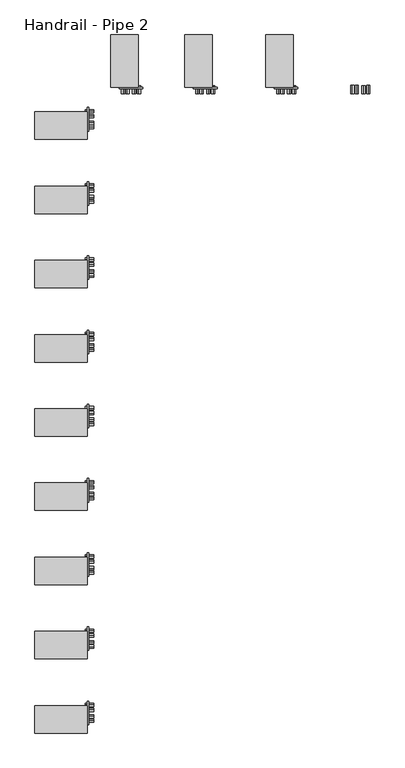
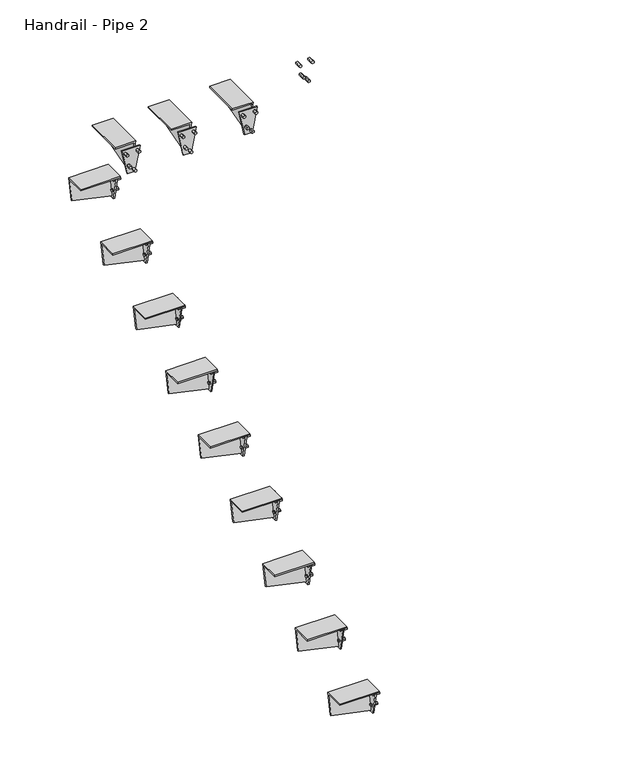
"""IFC4 building model written with IfcOpenShell, lengths in millimetres: railing geometry, Handrail - Pipe 2."""

from ifc_helpers import new_model, si_unit, frame, origin, place, context, project, spatial, polyline, outline, extrude, faceted_brep, source, transform, mapped, element, save


def handrail_pipe_2_a36f1bd2(model_context):
    return source(origin(), model_context, "Body", "SolidModel", [
        extrude(outline(polyline([(1708.0834229, -4692.4384842), (1704.4172487, -4698.7884842), (1697.0849002, -4698.7884842), (1693.418726, -4692.4384842), (1697.0849002, -4686.0884842), (1704.4172487, -4686.0884842), (1708.0834229, -4692.4384842)])), frame((0.0, 1796.8333141, 0.0), z_axis=(0.0, 1.0, 0.0), x_axis=(0.0, 0.0, 1.0)), (0.0, 0.0, 1.0), 31.75),
        extrude(outline(polyline([(1801.4837322, -4673.7584223), (1797.817558, -4680.1084223), (1790.4852096, -4680.1084223), (1786.8190354, -4673.7584223), (1790.4852096, -4667.4084223), (1797.817558, -4667.4084223), (1801.4837322, -4673.7584223)])), frame((0.0, 1796.8333141, 0.0), z_axis=(0.0, 1.0, 0.0), x_axis=(0.0, 0.0, 1.0)), (0.0, 0.0, 1.0), 31.75),
        extrude(outline(polyline([(1735.0709229, -4717.3502116), (1731.4047487, -4723.7002116), (1724.0724002, -4723.7002116), (1720.406226, -4717.3502116), (1724.0724002, -4711.0002116), (1731.4047487, -4711.0002116), (1735.0709229, -4717.3502116)])), frame((0.0, 1796.8333141, 0.0), z_axis=(0.0, 1.0, 0.0), x_axis=(0.0, 0.0, 1.0)), (0.0, 0.0, 1.0), 31.75),
        extrude(outline(polyline([(1801.4837322, -4733.6490235), (1797.817558, -4739.9990235), (1790.4852096, -4739.9990235), (1786.8190354, -4733.6490235), (1790.4852096, -4727.2990235), (1797.817558, -4727.2990235), (1801.4837322, -4733.6490235)])), frame((0.0, 1796.8333141, 0.0), z_axis=(0.0, 1.0, 0.0), x_axis=(0.0, 0.0, 1.0)), (0.0, 0.0, 1.0), 31.75),
        extrude(outline(polyline([(1642.5333333, -5027.5537229), (1515.5333333, -5002.1537229), (1515.5333333, -4964.0537229), (1642.5333333, -4938.6537229), (1642.5333333, -5027.5537229)])), frame((0.0, 1815.8833141, 0.0), z_axis=(0.0, 1.0, 0.0), x_axis=(0.0, 0.0, 1.0)), (0.0, 0.0, 1.0), 6.35),
        faceted_brep([(-4955.7987229, 2019.0833141, 1667.9333333), (-4977.0681099, 2019.0833141, 1561.5863986), (-4983.4181099, 2019.0833141, 1561.5863986), (-4963.3940604, 2019.0833141, 1661.706646), (-5059.3037229, 2019.0833141, 1661.706646), (-5059.3037229, 2019.0833141, 1667.9333333), (-4955.7987229, 1822.2333141, 1667.9333333), (-5059.3037229, 1822.2333141, 1667.9333333), (-5059.3037229, 1822.2333141, 1661.706646), (-4963.3940604, 1822.2333141, 1661.706646), (-4990.8901346, 1822.2333141, 1524.2262748), (-4984.5401346, 1822.2333141, 1524.2262748)], [[[0, 1, 2, 3, 4, 5]], [[6, 7, 8, 9, 10, 11]], [[6, 0, 5, 7]], [[7, 5, 4, 8]], [[8, 4, 3, 9]], [[9, 3, 2, 10]], [[10, 2, 1, 11]], [[11, 1, 0, 6]]]),
        extrude(outline(polyline([(1538.7500895, -4971.8384842), (1535.0839153, -4978.1884842), (1527.7515669, -4978.1884842), (1524.0853927, -4971.8384842), (1527.7515669, -4965.4884842), (1535.0839153, -4965.4884842), (1538.7500895, -4971.8384842)])), frame((0.0, 1796.8333141, 0.0), z_axis=(0.0, 1.0, 0.0), x_axis=(0.0, 0.0, 1.0)), (0.0, 0.0, 1.0), 31.75),
        extrude(outline(polyline([(1632.1503989, -4953.1584223), (1628.4842247, -4959.5084223), (1621.1518763, -4959.5084223), (1617.4857021, -4953.1584223), (1621.1518763, -4946.8084223), (1628.4842247, -4946.8084223), (1632.1503989, -4953.1584223)])), frame((0.0, 1796.8333141, 0.0), z_axis=(0.0, 1.0, 0.0), x_axis=(0.0, 0.0, 1.0)), (0.0, 0.0, 1.0), 31.75),
        extrude(outline(polyline([(1565.7375895, -4996.7502116), (1562.0714153, -5003.1002116), (1554.7390669, -5003.1002116), (1551.0728927, -4996.7502116), (1554.7390669, -4990.4002116), (1562.0714153, -4990.4002116), (1565.7375895, -4996.7502116)])), frame((0.0, 1796.8333141, 0.0), z_axis=(0.0, 1.0, 0.0), x_axis=(0.0, 0.0, 1.0)), (0.0, 0.0, 1.0), 31.75),
        extrude(outline(polyline([(1632.1503989, -5013.0490235), (1628.4842247, -5019.3990235), (1621.1518763, -5019.3990235), (1617.4857021, -5013.0490235), (1621.1518763, -5006.6990235), (1628.4842247, -5006.6990235), (1632.1503989, -5013.0490235)])), frame((0.0, 1796.8333141, 0.0), z_axis=(0.0, 1.0, 0.0), x_axis=(0.0, 0.0, 1.0)), (0.0, 0.0, 1.0), 31.75),
        extrude(outline(polyline([(1642.5333333, -5332.3537229), (1515.5333333, -5306.9537229), (1515.5333333, -5268.8537229), (1642.5333333, -5243.4537229), (1642.5333333, -5332.3537229)])), frame((0.0, 1815.8833141, 0.0), z_axis=(0.0, 1.0, 0.0), x_axis=(0.0, 0.0, 1.0)), (0.0, 0.0, 1.0), 6.35),
        faceted_brep([(-5260.5987229, 2019.0833141, 1667.9333333), (-5281.8681099, 2019.0833141, 1561.5863986), (-5288.2181099, 2019.0833141, 1561.5863986), (-5268.1940604, 2019.0833141, 1661.706646), (-5364.1037229, 2019.0833141, 1661.706646), (-5364.1037229, 2019.0833141, 1667.9333333), (-5260.5987229, 1822.2333141, 1667.9333333), (-5364.1037229, 1822.2333141, 1667.9333333), (-5364.1037229, 1822.2333141, 1661.706646), (-5268.1940604, 1822.2333141, 1661.706646), (-5295.6901346, 1822.2333141, 1524.2262748), (-5289.3401346, 1822.2333141, 1524.2262748)], [[[0, 1, 2, 3, 4, 5]], [[6, 7, 8, 9, 10, 11]], [[6, 0, 5, 7]], [[7, 5, 4, 8]], [[8, 4, 3, 9]], [[9, 3, 2, 10]], [[10, 2, 1, 11]], [[11, 1, 0, 6]]]),
        extrude(outline(polyline([(1538.7500895, -5276.6384842), (1535.0839153, -5282.9884842), (1527.7515669, -5282.9884842), (1524.0853927, -5276.6384842), (1527.7515669, -5270.2884842), (1535.0839153, -5270.2884842), (1538.7500895, -5276.6384842)])), frame((0.0, 1796.8333141, 0.0), z_axis=(0.0, 1.0, 0.0), x_axis=(0.0, 0.0, 1.0)), (0.0, 0.0, 1.0), 31.75),
        extrude(outline(polyline([(1632.1503989, -5257.9584223), (1628.4842247, -5264.3084223), (1621.1518763, -5264.3084223), (1617.4857021, -5257.9584223), (1621.1518763, -5251.6084223), (1628.4842247, -5251.6084223), (1632.1503989, -5257.9584223)])), frame((0.0, 1796.8333141, 0.0), z_axis=(0.0, 1.0, 0.0), x_axis=(0.0, 0.0, 1.0)), (0.0, 0.0, 1.0), 31.75),
        extrude(outline(polyline([(1565.7375895, -5301.5502116), (1562.0714153, -5307.9002116), (1554.7390669, -5307.9002116), (1551.0728927, -5301.5502116), (1554.7390669, -5295.2002116), (1562.0714153, -5295.2002116), (1565.7375895, -5301.5502116)])), frame((0.0, 1796.8333141, 0.0), z_axis=(0.0, 1.0, 0.0), x_axis=(0.0, 0.0, 1.0)), (0.0, 0.0, 1.0), 31.75),
        extrude(outline(polyline([(1632.1503989, -5317.8490235), (1628.4842247, -5324.1990235), (1621.1518763, -5324.1990235), (1617.4857021, -5317.8490235), (1621.1518763, -5311.4990235), (1628.4842247, -5311.4990235), (1632.1503989, -5317.8490235)])), frame((0.0, 1796.8333141, 0.0), z_axis=(0.0, 1.0, 0.0), x_axis=(0.0, 0.0, 1.0)), (0.0, 0.0, 1.0), 31.75),
        extrude(outline(polyline([(1642.5333333, -5611.7537229), (1515.5333333, -5586.3537229), (1515.5333333, -5548.2537229), (1642.5333333, -5522.8537229), (1642.5333333, -5611.7537229)])), frame((0.0, 1815.8833141, 0.0), z_axis=(0.0, 1.0, 0.0), x_axis=(0.0, 0.0, 1.0)), (0.0, 0.0, 1.0), 6.35),
        faceted_brep([(-5539.9987229, 2019.0833141, 1667.9333333), (-5561.2681099, 2019.0833141, 1561.5863986), (-5567.6181099, 2019.0833141, 1561.5863986), (-5547.5940604, 2019.0833141, 1661.706646), (-5643.5037229, 2019.0833141, 1661.706646), (-5643.5037229, 2019.0833141, 1667.9333333), (-5539.9987229, 1822.2333141, 1667.9333333), (-5643.5037229, 1822.2333141, 1667.9333333), (-5643.5037229, 1822.2333141, 1661.706646), (-5547.5940604, 1822.2333141, 1661.706646), (-5575.0901346, 1822.2333141, 1524.2262748), (-5568.7401346, 1822.2333141, 1524.2262748)], [[[0, 1, 2, 3, 4, 5]], [[6, 7, 8, 9, 10, 11]], [[6, 0, 5, 7]], [[7, 5, 4, 8]], [[8, 4, 3, 9]], [[9, 3, 2, 10]], [[10, 2, 1, 11]], [[11, 1, 0, 6]]]),
        extrude(outline(polyline([(1538.7500895, -5556.0384842), (1535.0839153, -5562.3884842), (1527.7515669, -5562.3884842), (1524.0853927, -5556.0384842), (1527.7515669, -5549.6884842), (1535.0839153, -5549.6884842), (1538.7500895, -5556.0384842)])), frame((0.0, 1796.8333141, 0.0), z_axis=(0.0, 1.0, 0.0), x_axis=(0.0, 0.0, 1.0)), (0.0, 0.0, 1.0), 31.75),
        extrude(outline(polyline([(1632.1503989, -5537.3584223), (1628.4842247, -5543.7084223), (1621.1518763, -5543.7084223), (1617.4857021, -5537.3584223), (1621.1518763, -5531.0084223), (1628.4842247, -5531.0084223), (1632.1503989, -5537.3584223)])), frame((0.0, 1796.8333141, 0.0), z_axis=(0.0, 1.0, 0.0), x_axis=(0.0, 0.0, 1.0)), (0.0, 0.0, 1.0), 31.75),
        extrude(outline(polyline([(1565.7375895, -5580.9502116), (1562.0714153, -5587.3002116), (1554.7390669, -5587.3002116), (1551.0728927, -5580.9502116), (1554.7390669, -5574.6002116), (1562.0714153, -5574.6002116), (1565.7375895, -5580.9502116)])), frame((0.0, 1796.8333141, 0.0), z_axis=(0.0, 1.0, 0.0), x_axis=(0.0, 0.0, 1.0)), (0.0, 0.0, 1.0), 31.75),
        extrude(outline(polyline([(1632.1503989, -5597.2490235), (1628.4842247, -5603.5990235), (1621.1518763, -5603.5990235), (1617.4857021, -5597.2490235), (1621.1518763, -5590.8990235), (1628.4842247, -5590.8990235), (1632.1503989, -5597.2490235)])), frame((0.0, 1796.8333141, 0.0), z_axis=(0.0, 1.0, 0.0), x_axis=(0.0, 0.0, 1.0)), (0.0, 0.0, 1.0), 31.75),
        extrude(outline(polyline([(1657.1333141, 1642.5333333), (1746.0333141, 1642.5333333), (1720.6333141, 1515.5333333), (1682.5333141, 1515.5333333), (1657.1333141, 1642.5333333)])), frame((-5732.4037229, 0.0, 0.0), z_axis=(1.0, 0.0, 0.0), x_axis=(0.0, 1.0, 0.0)), (0.0, 0.0, 1.0), 6.35),
        faceted_brep([(-5929.2537229, 1728.8883141, 1667.9333333), (-5929.2537229, 1707.6189271, 1561.5863986), (-5929.2537229, 1701.2689271, 1561.5863986), (-5929.2537229, 1721.2929766, 1661.706646), (-5929.2537229, 1625.3833141, 1661.706646), (-5929.2537229, 1625.3833141, 1667.9333333), (-5732.4037229, 1728.8883141, 1667.9333333), (-5732.4037229, 1625.3833141, 1667.9333333), (-5732.4037229, 1625.3833141, 1661.706646), (-5732.4037229, 1721.2929766, 1661.706646), (-5732.4037229, 1693.7969023, 1524.2262748), (-5732.4037229, 1700.1469023, 1524.2262748)], [[[0, 1, 2, 3, 4, 5]], [[6, 7, 8, 9, 10, 11]], [[6, 0, 5, 7]], [[7, 5, 4, 8]], [[8, 4, 3, 9]], [[9, 3, 2, 10]], [[10, 2, 1, 11]], [[11, 1, 0, 6]]]),
        extrude(outline(polyline([(1712.8485528, 1538.7500895), (1719.1985528, 1535.0839153), (1719.1985528, 1527.7515669), (1712.8485528, 1524.0853927), (1706.4985528, 1527.7515669), (1706.4985528, 1535.0839153), (1712.8485528, 1538.7500895)])), frame((-5738.7537229, 0.0, 0.0), z_axis=(1.0, 0.0, 0.0), x_axis=(0.0, 1.0, 0.0)), (0.0, 0.0, 1.0), 31.75),
        extrude(outline(polyline([(1731.5286147, 1632.1503989), (1737.8786147, 1628.4842247), (1737.8786147, 1621.1518763), (1731.5286147, 1617.4857021), (1725.1786147, 1621.1518763), (1725.1786147, 1628.4842247), (1731.5286147, 1632.1503989)])), frame((-5738.7537229, 0.0, 0.0), z_axis=(1.0, 0.0, 0.0), x_axis=(0.0, 1.0, 0.0)), (0.0, 0.0, 1.0), 31.75),
        extrude(outline(polyline([(1687.9368253, 1565.7375895), (1694.2868253, 1562.0714153), (1694.2868253, 1554.7390669), (1687.9368253, 1551.0728927), (1681.5868253, 1554.7390669), (1681.5868253, 1562.0714153), (1687.9368253, 1565.7375895)])), frame((-5738.7537229, 0.0, 0.0), z_axis=(1.0, 0.0, 0.0), x_axis=(0.0, 1.0, 0.0)), (0.0, 0.0, 1.0), 31.75),
        extrude(outline(polyline([(1671.6380134, 1632.1503989), (1677.9880134, 1628.4842247), (1677.9880134, 1621.1518763), (1671.6380134, 1617.4857021), (1665.2880134, 1621.1518763), (1665.2880134, 1628.4842247), (1671.6380134, 1632.1503989)])), frame((-5738.7537229, 0.0, 0.0), z_axis=(1.0, 0.0, 0.0), x_axis=(0.0, 1.0, 0.0)), (0.0, 0.0, 1.0), 31.75),
        extrude(outline(polyline([(1377.7333141, 1473.2), (1466.6333141, 1473.2), (1441.2333141, 1346.2), (1403.1333141, 1346.2), (1377.7333141, 1473.2)])), frame((-5732.4037229, 0.0, 0.0), z_axis=(1.0, 0.0, 0.0), x_axis=(0.0, 1.0, 0.0)), (0.0, 0.0, 1.0), 6.35),
        faceted_brep([(-5929.2537229, 1449.4883141, 1498.6), (-5929.2537229, 1428.2189271, 1392.2530652), (-5929.2537229, 1421.8689271, 1392.2530652), (-5929.2537229, 1441.8929766, 1492.3733127), (-5929.2537229, 1345.9833141, 1492.3733127), (-5929.2537229, 1345.9833141, 1498.6), (-5732.4037229, 1449.4883141, 1498.6), (-5732.4037229, 1345.9833141, 1498.6), (-5732.4037229, 1345.9833141, 1492.3733127), (-5732.4037229, 1441.8929766, 1492.3733127), (-5732.4037229, 1414.3969023, 1354.8929415), (-5732.4037229, 1420.7469023, 1354.8929415)], [[[0, 1, 2, 3, 4, 5]], [[6, 7, 8, 9, 10, 11]], [[6, 0, 5, 7]], [[7, 5, 4, 8]], [[8, 4, 3, 9]], [[9, 3, 2, 10]], [[10, 2, 1, 11]], [[11, 1, 0, 6]]]),
        extrude(outline(polyline([(1433.4485528, 1369.4167562), (1439.7985528, 1365.750582), (1439.7985528, 1358.4182336), (1433.4485528, 1354.7520594), (1427.0985528, 1358.4182336), (1427.0985528, 1365.750582), (1433.4485528, 1369.4167562)])), frame((-5738.7537229, 0.0, 0.0), z_axis=(1.0, 0.0, 0.0), x_axis=(0.0, 1.0, 0.0)), (0.0, 0.0, 1.0), 31.75),
        extrude(outline(polyline([(1452.1286147, 1462.8170656), (1458.4786147, 1459.1508913), (1458.4786147, 1451.8185429), (1452.1286147, 1448.1523687), (1445.7786147, 1451.8185429), (1445.7786147, 1459.1508913), (1452.1286147, 1462.8170656)])), frame((-5738.7537229, 0.0, 0.0), z_axis=(1.0, 0.0, 0.0), x_axis=(0.0, 1.0, 0.0)), (0.0, 0.0, 1.0), 31.75),
        extrude(outline(polyline([(1408.5368253, 1396.4042562), (1414.8868253, 1392.738082), (1414.8868253, 1385.4057336), (1408.5368253, 1381.7395594), (1402.1868253, 1385.4057336), (1402.1868253, 1392.738082), (1408.5368253, 1396.4042562)])), frame((-5738.7537229, 0.0, 0.0), z_axis=(1.0, 0.0, 0.0), x_axis=(0.0, 1.0, 0.0)), (0.0, 0.0, 1.0), 31.75),
        extrude(outline(polyline([(1392.2380134, 1462.8170656), (1398.5880134, 1459.1508913), (1398.5880134, 1451.8185429), (1392.2380134, 1448.1523687), (1385.8880134, 1451.8185429), (1385.8880134, 1459.1508913), (1392.2380134, 1462.8170656)])), frame((-5738.7537229, 0.0, 0.0), z_axis=(1.0, 0.0, 0.0), x_axis=(0.0, 1.0, 0.0)), (0.0, 0.0, 1.0), 31.75),
        extrude(outline(polyline([(1098.3333141, 1303.8666667), (1187.2333141, 1303.8666667), (1161.8333141, 1176.8666667), (1123.7333141, 1176.8666667), (1098.3333141, 1303.8666667)])), frame((-5732.4037229, 0.0, 0.0), z_axis=(1.0, 0.0, 0.0), x_axis=(0.0, 1.0, 0.0)), (0.0, 0.0, 1.0), 6.35),
        faceted_brep([(-5929.2537229, 1170.0883141, 1329.2666667), (-5929.2537229, 1148.8189271, 1222.9197319), (-5929.2537229, 1142.4689271, 1222.9197319), (-5929.2537229, 1162.4929766, 1323.0399794), (-5929.2537229, 1066.5833141, 1323.0399794), (-5929.2537229, 1066.5833141, 1329.2666667), (-5732.4037229, 1170.0883141, 1329.2666667), (-5732.4037229, 1066.5833141, 1329.2666667), (-5732.4037229, 1066.5833141, 1323.0399794), (-5732.4037229, 1162.4929766, 1323.0399794), (-5732.4037229, 1134.9969023, 1185.5596081), (-5732.4037229, 1141.3469023, 1185.5596081)], [[[0, 1, 2, 3, 4, 5]], [[6, 7, 8, 9, 10, 11]], [[6, 0, 5, 7]], [[7, 5, 4, 8]], [[8, 4, 3, 9]], [[9, 3, 2, 10]], [[10, 2, 1, 11]], [[11, 1, 0, 6]]]),
        extrude(outline(polyline([(1154.0485528, 1200.0834229), (1160.3985528, 1196.4172487), (1160.3985528, 1189.0849002), (1154.0485528, 1185.418726), (1147.6985528, 1189.0849002), (1147.6985528, 1196.4172487), (1154.0485528, 1200.0834229)])), frame((-5738.7537229, 0.0, 0.0), z_axis=(1.0, 0.0, 0.0), x_axis=(0.0, 1.0, 0.0)), (0.0, 0.0, 1.0), 31.75),
        extrude(outline(polyline([(1172.7286147, 1293.4837322), (1179.0786147, 1289.817558), (1179.0786147, 1282.4852096), (1172.7286147, 1278.8190354), (1166.3786147, 1282.4852096), (1166.3786147, 1289.817558), (1172.7286147, 1293.4837322)])), frame((-5738.7537229, 0.0, 0.0), z_axis=(1.0, 0.0, 0.0), x_axis=(0.0, 1.0, 0.0)), (0.0, 0.0, 1.0), 31.75),
        extrude(outline(polyline([(1129.1368253, 1227.0709229), (1135.4868253, 1223.4047487), (1135.4868253, 1216.0724002), (1129.1368253, 1212.406226), (1122.7868253, 1216.0724002), (1122.7868253, 1223.4047487), (1129.1368253, 1227.0709229)])), frame((-5738.7537229, 0.0, 0.0), z_axis=(1.0, 0.0, 0.0), x_axis=(0.0, 1.0, 0.0)), (0.0, 0.0, 1.0), 31.75),
        extrude(outline(polyline([(1112.8380134, 1293.4837322), (1119.1880134, 1289.817558), (1119.1880134, 1282.4852096), (1112.8380134, 1278.8190354), (1106.4880134, 1282.4852096), (1106.4880134, 1289.817558), (1112.8380134, 1293.4837322)])), frame((-5738.7537229, 0.0, 0.0), z_axis=(1.0, 0.0, 0.0), x_axis=(0.0, 1.0, 0.0)), (0.0, 0.0, 1.0), 31.75),
        extrude(outline(polyline([(818.9333141, 1134.5333333), (907.8333141, 1134.5333333), (882.4333141, 1007.5333333), (844.3333141, 1007.5333333), (818.9333141, 1134.5333333)])), frame((-5732.4037229, 0.0, 0.0), z_axis=(1.0, 0.0, 0.0), x_axis=(0.0, 1.0, 0.0)), (0.0, 0.0, 1.0), 6.35),
        faceted_brep([(-5929.2537229, 890.6883141, 1159.9333333), (-5929.2537229, 869.4189271, 1053.5863986), (-5929.2537229, 863.0689271, 1053.5863986), (-5929.2537229, 883.0929766, 1153.706646), (-5929.2537229, 787.1833141, 1153.706646), (-5929.2537229, 787.1833141, 1159.9333333), (-5732.4037229, 890.6883141, 1159.9333333), (-5732.4037229, 787.1833141, 1159.9333333), (-5732.4037229, 787.1833141, 1153.706646), (-5732.4037229, 883.0929766, 1153.706646), (-5732.4037229, 855.5969023, 1016.2262748), (-5732.4037229, 861.9469023, 1016.2262748)], [[[0, 1, 2, 3, 4, 5]], [[6, 7, 8, 9, 10, 11]], [[6, 0, 5, 7]], [[7, 5, 4, 8]], [[8, 4, 3, 9]], [[9, 3, 2, 10]], [[10, 2, 1, 11]], [[11, 1, 0, 6]]]),
        extrude(outline(polyline([(874.6485528, 1030.7500895), (880.9985528, 1027.0839153), (880.9985528, 1019.7515669), (874.6485528, 1016.0853927), (868.2985528, 1019.7515669), (868.2985528, 1027.0839153), (874.6485528, 1030.7500895)])), frame((-5738.7537229, 0.0, 0.0), z_axis=(1.0, 0.0, 0.0), x_axis=(0.0, 1.0, 0.0)), (0.0, 0.0, 1.0), 31.75),
        extrude(outline(polyline([(893.3286147, 1124.1503989), (899.6786147, 1120.4842247), (899.6786147, 1113.1518763), (893.3286147, 1109.4857021), (886.9786147, 1113.1518763), (886.9786147, 1120.4842247), (893.3286147, 1124.1503989)])), frame((-5738.7537229, 0.0, 0.0), z_axis=(1.0, 0.0, 0.0), x_axis=(0.0, 1.0, 0.0)), (0.0, 0.0, 1.0), 31.75),
        extrude(outline(polyline([(849.7368253, 1057.7375895), (856.0868253, 1054.0714153), (856.0868253, 1046.7390669), (849.7368253, 1043.0728927), (843.3868253, 1046.7390669), (843.3868253, 1054.0714153), (849.7368253, 1057.7375895)])), frame((-5738.7537229, 0.0, 0.0), z_axis=(1.0, 0.0, 0.0), x_axis=(0.0, 1.0, 0.0)), (0.0, 0.0, 1.0), 31.75),
        extrude(outline(polyline([(833.4380134, 1124.1503989), (839.7880134, 1120.4842247), (839.7880134, 1113.1518763), (833.4380134, 1109.4857021), (827.0880134, 1113.1518763), (827.0880134, 1120.4842247), (833.4380134, 1124.1503989)])), frame((-5738.7537229, 0.0, 0.0), z_axis=(1.0, 0.0, 0.0), x_axis=(0.0, 1.0, 0.0)), (0.0, 0.0, 1.0), 31.75),
        extrude(outline(polyline([(539.5333141, 965.2), (628.4333141, 965.2), (603.0333141, 838.2), (564.9333141, 838.2), (539.5333141, 965.2)])), frame((-5732.4037229, 0.0, 0.0), z_axis=(1.0, 0.0, 0.0), x_axis=(0.0, 1.0, 0.0)), (0.0, 0.0, 1.0), 6.35),
        faceted_brep([(-5929.2537229, 611.2883141, 990.6), (-5929.2537229, 590.0189271, 884.2530652), (-5929.2537229, 583.6689271, 884.2530652), (-5929.2537229, 603.6929766, 984.3733127), (-5929.2537229, 507.7833141, 984.3733127), (-5929.2537229, 507.7833141, 990.6), (-5732.4037229, 611.2883141, 990.6), (-5732.4037229, 507.7833141, 990.6), (-5732.4037229, 507.7833141, 984.3733127), (-5732.4037229, 603.6929766, 984.3733127), (-5732.4037229, 576.1969023, 846.8929415), (-5732.4037229, 582.5469023, 846.8929415)], [[[0, 1, 2, 3, 4, 5]], [[6, 7, 8, 9, 10, 11]], [[6, 0, 5, 7]], [[7, 5, 4, 8]], [[8, 4, 3, 9]], [[9, 3, 2, 10]], [[10, 2, 1, 11]], [[11, 1, 0, 6]]]),
        extrude(outline(polyline([(595.2485528, 861.4167562), (601.5985528, 857.750582), (601.5985528, 850.4182336), (595.2485528, 846.7520594), (588.8985528, 850.4182336), (588.8985528, 857.750582), (595.2485528, 861.4167562)])), frame((-5738.7537229, 0.0, 0.0), z_axis=(1.0, 0.0, 0.0), x_axis=(0.0, 1.0, 0.0)), (0.0, 0.0, 1.0), 31.75),
        extrude(outline(polyline([(613.9286147, 954.8170656), (620.2786147, 951.1508913), (620.2786147, 943.8185429), (613.9286147, 940.1523687), (607.5786147, 943.8185429), (607.5786147, 951.1508913), (613.9286147, 954.8170656)])), frame((-5738.7537229, 0.0, 0.0), z_axis=(1.0, 0.0, 0.0), x_axis=(0.0, 1.0, 0.0)), (0.0, 0.0, 1.0), 31.75),
        extrude(outline(polyline([(570.3368253, 888.4042562), (576.6868253, 884.738082), (576.6868253, 877.4057336), (570.3368253, 873.7395594), (563.9868253, 877.4057336), (563.9868253, 884.738082), (570.3368253, 888.4042562)])), frame((-5738.7537229, 0.0, 0.0), z_axis=(1.0, 0.0, 0.0), x_axis=(0.0, 1.0, 0.0)), (0.0, 0.0, 1.0), 31.75),
        extrude(outline(polyline([(554.0380134, 954.8170656), (560.3880134, 951.1508913), (560.3880134, 943.8185429), (554.0380134, 940.1523687), (547.6880134, 943.8185429), (547.6880134, 951.1508913), (554.0380134, 954.8170656)])), frame((-5738.7537229, 0.0, 0.0), z_axis=(1.0, 0.0, 0.0), x_axis=(0.0, 1.0, 0.0)), (0.0, 0.0, 1.0), 31.75),
        extrude(outline(polyline([(260.1333141, 795.8666667), (349.0333141, 795.8666667), (323.6333141, 668.8666667), (285.5333141, 668.8666667), (260.1333141, 795.8666667)])), frame((-5732.4037229, 0.0, 0.0), z_axis=(1.0, 0.0, 0.0), x_axis=(0.0, 1.0, 0.0)), (0.0, 0.0, 1.0), 6.35),
        faceted_brep([(-5929.2537229, 331.8883141, 821.2666667), (-5929.2537229, 310.6189271, 714.9197319), (-5929.2537229, 304.2689271, 714.9197319), (-5929.2537229, 324.2929766, 815.0399794), (-5929.2537229, 228.3833141, 815.0399794), (-5929.2537229, 228.3833141, 821.2666667), (-5732.4037229, 331.8883141, 821.2666667), (-5732.4037229, 228.3833141, 821.2666667), (-5732.4037229, 228.3833141, 815.0399794), (-5732.4037229, 324.2929766, 815.0399794), (-5732.4037229, 296.7969023, 677.5596081), (-5732.4037229, 303.1469023, 677.5596081)], [[[0, 1, 2, 3, 4, 5]], [[6, 7, 8, 9, 10, 11]], [[6, 0, 5, 7]], [[7, 5, 4, 8]], [[8, 4, 3, 9]], [[9, 3, 2, 10]], [[10, 2, 1, 11]], [[11, 1, 0, 6]]]),
        extrude(outline(polyline([(315.8485528, 692.0834229), (322.1985528, 688.4172487), (322.1985528, 681.0849002), (315.8485528, 677.418726), (309.4985528, 681.0849002), (309.4985528, 688.4172487), (315.8485528, 692.0834229)])), frame((-5738.7537229, 0.0, 0.0), z_axis=(1.0, 0.0, 0.0), x_axis=(0.0, 1.0, 0.0)), (0.0, 0.0, 1.0), 31.75),
        extrude(outline(polyline([(334.5286147, 785.4837322), (340.8786147, 781.817558), (340.8786147, 774.4852096), (334.5286147, 770.8190354), (328.1786147, 774.4852096), (328.1786147, 781.817558), (334.5286147, 785.4837322)])), frame((-5738.7537229, 0.0, 0.0), z_axis=(1.0, 0.0, 0.0), x_axis=(0.0, 1.0, 0.0)), (0.0, 0.0, 1.0), 31.75),
        extrude(outline(polyline([(290.9368253, 719.0709229), (297.2868253, 715.4047487), (297.2868253, 708.0724002), (290.9368253, 704.406226), (284.5868253, 708.0724002), (284.5868253, 715.4047487), (290.9368253, 719.0709229)])), frame((-5738.7537229, 0.0, 0.0), z_axis=(1.0, 0.0, 0.0), x_axis=(0.0, 1.0, 0.0)), (0.0, 0.0, 1.0), 31.75),
        extrude(outline(polyline([(274.6380134, 785.4837322), (280.9880134, 781.817558), (280.9880134, 774.4852096), (274.6380134, 770.8190354), (268.2880134, 774.4852096), (268.2880134, 781.817558), (274.6380134, 785.4837322)])), frame((-5738.7537229, 0.0, 0.0), z_axis=(1.0, 0.0, 0.0), x_axis=(0.0, 1.0, 0.0)), (0.0, 0.0, 1.0), 31.75),
        extrude(outline(polyline([(-19.2666859, 626.5333333), (69.6333141, 626.5333333), (44.2333141, 499.5333333), (6.1333141, 499.5333333), (-19.2666859, 626.5333333)])), frame((-5732.4037229, 0.0, 0.0), z_axis=(1.0, 0.0, 0.0), x_axis=(0.0, 1.0, 0.0)), (0.0, 0.0, 1.0), 6.35),
        faceted_brep([(-5929.2537229, 52.4883141, 651.9333333), (-5929.2537229, 31.2189271, 545.5863986), (-5929.2537229, 24.8689271, 545.5863986), (-5929.2537229, 44.8929766, 645.706646), (-5929.2537229, -51.0166859, 645.706646), (-5929.2537229, -51.0166859, 651.9333333), (-5732.4037229, 52.4883141, 651.9333333), (-5732.4037229, -51.0166859, 651.9333333), (-5732.4037229, -51.0166859, 645.706646), (-5732.4037229, 44.8929766, 645.706646), (-5732.4037229, 17.3969023, 508.2262748), (-5732.4037229, 23.7469023, 508.2262748)], [[[0, 1, 2, 3, 4, 5]], [[6, 7, 8, 9, 10, 11]], [[6, 0, 5, 7]], [[7, 5, 4, 8]], [[8, 4, 3, 9]], [[9, 3, 2, 10]], [[10, 2, 1, 11]], [[11, 1, 0, 6]]]),
        extrude(outline(polyline([(36.4485528, 522.7500895), (42.7985528, 519.0839153), (42.7985528, 511.7515669), (36.4485528, 508.0853927), (30.0985528, 511.7515669), (30.0985528, 519.0839153), (36.4485528, 522.7500895)])), frame((-5738.7537229, 0.0, 0.0), z_axis=(1.0, 0.0, 0.0), x_axis=(0.0, 1.0, 0.0)), (0.0, 0.0, 1.0), 31.75),
        extrude(outline(polyline([(55.1286147, 616.1503989), (61.4786147, 612.4842247), (61.4786147, 605.1518763), (55.1286147, 601.4857021), (48.7786147, 605.1518763), (48.7786147, 612.4842247), (55.1286147, 616.1503989)])), frame((-5738.7537229, 0.0, 0.0), z_axis=(1.0, 0.0, 0.0), x_axis=(0.0, 1.0, 0.0)), (0.0, 0.0, 1.0), 31.75),
        extrude(outline(polyline([(11.5368253, 549.7375895), (17.8868253, 546.0714153), (17.8868253, 538.7390669), (11.5368253, 535.0728927), (5.1868253, 538.7390669), (5.1868253, 546.0714153), (11.5368253, 549.7375895)])), frame((-5738.7537229, 0.0, 0.0), z_axis=(1.0, 0.0, 0.0), x_axis=(0.0, 1.0, 0.0)), (0.0, 0.0, 1.0), 31.75),
        extrude(outline(polyline([(-4.7619866, 616.1503989), (1.5880134, 612.4842247), (1.5880134, 605.1518763), (-4.7619866, 601.4857021), (-11.1119866, 605.1518763), (-11.1119866, 612.4842247), (-4.7619866, 616.1503989)])), frame((-5738.7537229, 0.0, 0.0), z_axis=(1.0, 0.0, 0.0), x_axis=(0.0, 1.0, 0.0)), (0.0, 0.0, 1.0), 31.75),
        extrude(outline(polyline([(-298.6666859, 457.2), (-209.7666859, 457.2), (-235.1666859, 330.2), (-273.2666859, 330.2), (-298.6666859, 457.2)])), frame((-5732.4037229, 0.0, 0.0), z_axis=(1.0, 0.0, 0.0), x_axis=(0.0, 1.0, 0.0)), (0.0, 0.0, 1.0), 6.35),
        faceted_brep([(-5929.2537229, -226.9116859, 482.6), (-5929.2537229, -248.1810729, 376.2530652), (-5929.2537229, -254.5310729, 376.2530652), (-5929.2537229, -234.5070234, 476.3733127), (-5929.2537229, -330.4166859, 476.3733127), (-5929.2537229, -330.4166859, 482.6), (-5732.4037229, -226.9116859, 482.6), (-5732.4037229, -330.4166859, 482.6), (-5732.4037229, -330.4166859, 476.3733127), (-5732.4037229, -234.5070234, 476.3733127), (-5732.4037229, -262.0030977, 338.8929415), (-5732.4037229, -255.6530977, 338.8929415)], [[[0, 1, 2, 3, 4, 5]], [[6, 7, 8, 9, 10, 11]], [[6, 0, 5, 7]], [[7, 5, 4, 8]], [[8, 4, 3, 9]], [[9, 3, 2, 10]], [[10, 2, 1, 11]], [[11, 1, 0, 6]]]),
        extrude(outline(polyline([(-242.9514472, 353.4167562), (-236.6014472, 349.750582), (-236.6014472, 342.4182336), (-242.9514472, 338.7520594), (-249.3014472, 342.4182336), (-249.3014472, 349.750582), (-242.9514472, 353.4167562)])), frame((-5738.7537229, 0.0, 0.0), z_axis=(1.0, 0.0, 0.0), x_axis=(0.0, 1.0, 0.0)), (0.0, 0.0, 1.0), 31.75),
        extrude(outline(polyline([(-224.2713853, 446.8170656), (-217.9213853, 443.1508913), (-217.9213853, 435.8185429), (-224.2713853, 432.1523687), (-230.6213853, 435.8185429), (-230.6213853, 443.1508913), (-224.2713853, 446.8170656)])), frame((-5738.7537229, 0.0, 0.0), z_axis=(1.0, 0.0, 0.0), x_axis=(0.0, 1.0, 0.0)), (0.0, 0.0, 1.0), 31.75),
        extrude(outline(polyline([(-267.8631747, 380.4042562), (-261.5131747, 376.738082), (-261.5131747, 369.4057336), (-267.8631747, 365.7395594), (-274.2131747, 369.4057336), (-274.2131747, 376.738082), (-267.8631747, 380.4042562)])), frame((-5738.7537229, 0.0, 0.0), z_axis=(1.0, 0.0, 0.0), x_axis=(0.0, 1.0, 0.0)), (0.0, 0.0, 1.0), 31.75),
        extrude(outline(polyline([(-284.1619866, 446.8170656), (-277.8119866, 443.1508913), (-277.8119866, 435.8185429), (-284.1619866, 432.1523687), (-290.5119866, 435.8185429), (-290.5119866, 443.1508913), (-284.1619866, 446.8170656)])), frame((-5738.7537229, 0.0, 0.0), z_axis=(1.0, 0.0, 0.0), x_axis=(0.0, 1.0, 0.0)), (0.0, 0.0, 1.0), 31.75),
        extrude(outline(polyline([(-578.0666859, 287.8666667), (-489.1666859, 287.8666667), (-514.5666859, 160.8666667), (-552.6666859, 160.8666667), (-578.0666859, 287.8666667)])), frame((-5732.4037229, 0.0, 0.0), z_axis=(1.0, 0.0, 0.0), x_axis=(0.0, 1.0, 0.0)), (0.0, 0.0, 1.0), 6.35),
        faceted_brep([(-5929.2537229, -506.3116859, 313.2666667), (-5929.2537229, -527.5810729, 206.9197319), (-5929.2537229, -533.9310729, 206.9197319), (-5929.2537229, -513.9070234, 307.0399794), (-5929.2537229, -609.8166859, 307.0399794), (-5929.2537229, -609.8166859, 313.2666667), (-5732.4037229, -506.3116859, 313.2666667), (-5732.4037229, -609.8166859, 313.2666667), (-5732.4037229, -609.8166859, 307.0399794), (-5732.4037229, -513.9070234, 307.0399794), (-5732.4037229, -541.4030977, 169.5596081), (-5732.4037229, -535.0530977, 169.5596081)], [[[0, 1, 2, 3, 4, 5]], [[6, 7, 8, 9, 10, 11]], [[6, 0, 5, 7]], [[7, 5, 4, 8]], [[8, 4, 3, 9]], [[9, 3, 2, 10]], [[10, 2, 1, 11]], [[11, 1, 0, 6]]]),
        extrude(outline(polyline([(-522.3514472, 184.0834229), (-516.0014472, 180.4172487), (-516.0014472, 173.0849002), (-522.3514472, 169.418726), (-528.7014472, 173.0849002), (-528.7014472, 180.4172487), (-522.3514472, 184.0834229)])), frame((-5738.7537229, 0.0, 0.0), z_axis=(1.0, 0.0, 0.0), x_axis=(0.0, 1.0, 0.0)), (0.0, 0.0, 1.0), 31.75),
        extrude(outline(polyline([(-503.6713853, 277.4837322), (-497.3213853, 273.817558), (-497.3213853, 266.4852096), (-503.6713853, 262.8190354), (-510.0213853, 266.4852096), (-510.0213853, 273.817558), (-503.6713853, 277.4837322)])), frame((-5738.7537229, 0.0, 0.0), z_axis=(1.0, 0.0, 0.0), x_axis=(0.0, 1.0, 0.0)), (0.0, 0.0, 1.0), 31.75),
        extrude(outline(polyline([(-547.2631747, 211.0709229), (-540.9131747, 207.4047487), (-540.9131747, 200.0724002), (-547.2631747, 196.406226), (-553.6131747, 200.0724002), (-553.6131747, 207.4047487), (-547.2631747, 211.0709229)])), frame((-5738.7537229, 0.0, 0.0), z_axis=(1.0, 0.0, 0.0), x_axis=(0.0, 1.0, 0.0)), (0.0, 0.0, 1.0), 31.75),
        extrude(outline(polyline([(-563.5619866, 277.4837322), (-557.2119866, 273.817558), (-557.2119866, 266.4852096), (-563.5619866, 262.8190354), (-569.9119866, 266.4852096), (-569.9119866, 273.817558), (-563.5619866, 277.4837322)])), frame((-5738.7537229, 0.0, 0.0), z_axis=(1.0, 0.0, 0.0), x_axis=(0.0, 1.0, 0.0)), (0.0, 0.0, 1.0), 31.75),
    ])


if __name__ == "__main__":
    model = new_model("IFC4")
    model_context = context("Model", 3, world=origin())
    ifc_project = project(units=[si_unit("LENGTHUNIT", "METRE", prefix="MILLI")], contexts=[model_context])
    site = spatial("IfcSite", under=ifc_project)
    building = spatial("IfcBuilding", under=site)
    placement = place(None, origin())
    handrail_pipe_2_shape = handrail_pipe_2_a36f1bd2(model_context)
    element("IfcRailing", 1, ObjectType="Handrail - Pipe 2", at=placement, inside=building, context=model_context, shape_type="MappedRepresentation", body=[
        mapped(handrail_pipe_2_shape, transform((0.0, 0.0, 0.0), x_axis=(1.0, 0.0, 0.0), y_axis=(0.0, 1.0, 0.0), z_axis=(0.0, 0.0, 1.0))),
    ])
    save(model, "model.ifc")
